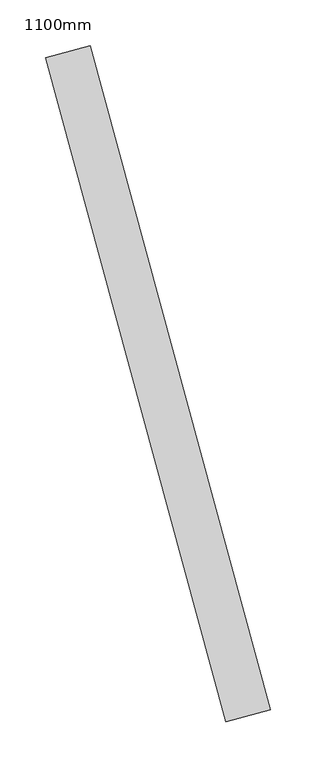
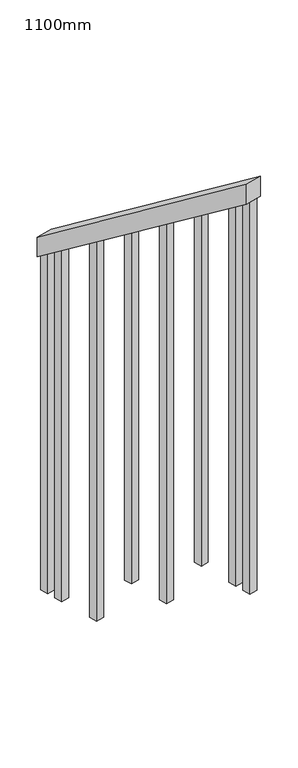
"""IFC4 building model written with IfcOpenShell, lengths in millimetres: railing geometry, 1100mm."""

from ifc_helpers import new_model, si_unit, frame, origin, place, context, project, spatial, polyline, outline, extrude, source, transform, mapped, element, save


def railing_1100mm_f1ce4222(model_context):
    return source(origin(), model_context, "Body", "SweptSolid", [
        extrude(outline(polyline([(35.5555555, -50.0), (0.0, 0.0), (920.2958462, 0.0), (955.8514017, -49.9999999), (35.5555555, -50.0)])), frame((248969.9252168, 52709.4992776, 1216.4247214), z_axis=(0.964989412360186, 0.2622888370341804, 0.0), x_axis=(0.2137536843159558, -0.7864232597554223, 0.5795237863599824)), (0.0, 0.0, 1.0), 50.0),
        extrude(outline(polyline([(108.8888889, 0.0), (1271.980277, 0.0), (1271.980277, -25.0), (91.1111112, -25.0), (108.8888889, 0.0)])), frame((249159.0325495, 52061.4100347, 1805.3136103), z_axis=(0.9649894123601861, 0.26228883703418043, 0.0), x_axis=(0.0, 0.0, -1.0)), (0.0, 0.0, 1.0), 25.0),
        extrude(outline(polyline([(108.8888889, 0.0), (1183.0913881, 0.0), (1183.0913881, -25.0), (91.1111111, -25.0), (108.8888889, 0.0)])), frame((249126.2464449, 52182.0337113, 1716.4247214), z_axis=(0.9649894123601861, 0.26228883703418043, 0.0), x_axis=(0.0, 0.0, -1.0)), (0.0, 0.0, 1.0), 25.0),
        extrude(outline(polyline([(108.8888889, 0.0), (1271.9802769, 0.0), (1271.9802769, -25.0), (91.1111111, -25.0), (108.8888889, 0.0)])), frame((249093.4603402, 52302.6573878, 1627.5358325), z_axis=(0.9649894123601861, 0.26228883703418043, 0.0), x_axis=(0.0, 0.0, -1.0)), (0.0, 0.0, 1.0), 25.0),
        extrude(outline(polyline([(108.8888889, 0.0), (1183.091388, 0.0), (1183.091388, -25.0), (91.1111111, -25.0), (108.8888889, 0.0)])), frame((249060.6742356, 52423.2810644, 1538.6469436), z_axis=(0.9649894123601861, 0.26228883703418043, 0.0), x_axis=(0.0, 0.0, -1.0)), (0.0, 0.0, 1.0), 25.0),
        extrude(outline(polyline([(108.8888889, 0.0), (1271.9802769, 0.0), (1271.9802769, -25.0), (91.1111111, -25.0), (108.8888889, 0.0)])), frame((249027.888131, 52543.9047409, 1449.7580547), z_axis=(0.9649894123601861, 0.26228883703418043, 0.0), x_axis=(0.0, 0.0, -1.0)), (0.0, 0.0, 1.0), 25.0),
        extrude(outline(polyline([(108.8888889, 0.0), (1183.091388, 0.0), (1183.091388, -25.0000001), (91.1111111, -25.0000001), (108.8888889, 0.0)])), frame((248995.1020263, 52664.5284175, 1360.8691658), z_axis=(0.9649894123601861, 0.26228883703418043, 0.0), x_axis=(0.0, 0.0, -1.0)), (0.0, 0.0, 1.0), 25.0),
        extrude(outline(polyline([(108.8888889, 0.0), (1307.5358325, 0.0), (1307.5358325, -25.0), (91.1111111, -25.0), (108.8888889, 0.0)])), frame((249172.1469913, 52013.1605641, 1840.8691658), z_axis=(0.9649894123601861, 0.26228883703418043, 0.0), x_axis=(0.0, 0.0, -1.0)), (0.0, 0.0, 1.0), 25.0),
        extrude(outline(polyline([(108.8888889, 0.0), (1147.5358325, 0.0), (1147.5358325, -25.0), (91.1111112, -25.0), (108.8888889, 0.0)])), frame((248981.9875845, 52712.7778881, 1325.3136103), z_axis=(0.9649894123601861, 0.26228883703418043, 0.0), x_axis=(0.0, 0.0, -1.0)), (0.0, 0.0, 1.0), 25.0),
    ])


if __name__ == "__main__":
    model = new_model("IFC4")
    model_context = context("Model", 3, world=origin())
    ifc_project = project(units=[si_unit("LENGTHUNIT", "METRE", prefix="MILLI")], contexts=[model_context])
    site = spatial("IfcSite", under=ifc_project)
    building = spatial("IfcBuilding", under=site)
    placement = place(None, origin())
    railing_1100mm_shape = railing_1100mm_f1ce4222(model_context)
    element("IfcRailing", 1, ObjectType="1100mm", at=placement, inside=building, context=model_context, shape_type="MappedRepresentation", body=[
        mapped(railing_1100mm_shape, transform((0.0, 0.0, 0.0), x_axis=(1.0, 0.0, 0.0), y_axis=(0.0, 1.0, 0.0), z_axis=(0.0, 0.0, 1.0))),
    ])
    save(model, "model.ifc")
